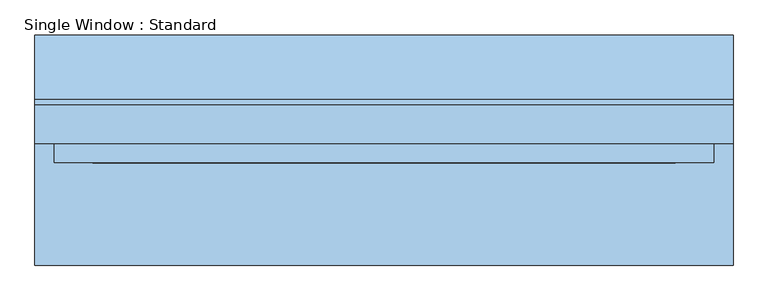
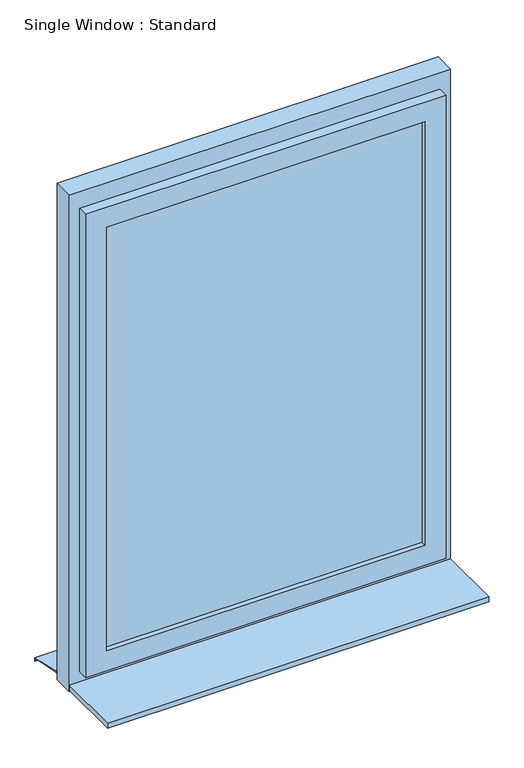
"""IFC4 building model written with IfcOpenShell, lengths in millimetres: window geometry, Single Window : Standard."""

from ifc_helpers import new_model, si_unit, frame, origin, place, context, project, spatial, polyline, outline, extrude, faceted_brep, source, transform, mapped, element, save


def single_window_standard_0f501221(model_context):
    return source(origin(), model_context, "Body", "SolidModel", [
        extrude(outline(polyline([(455.3207828, -5.0), (-455.3207828, -5.0), (-455.3207828, 25.0), (455.3207828, 25.0), (455.3207828, -5.0)])), frame((0.0, 0.0, 1110.0), z_axis=(0.0, 0.0, 1.0), x_axis=(1.0, 0.0, 0.0)), (0.0, 0.0, 1.0), 1280.0),
        faceted_brep([(515.3207828, 10.0, 2450.0), (515.3207828, -20.0, 2450.0), (515.3207828, -20.0, 1050.0), (515.3207828, 10.0, 1050.0), (485.3207828, 40.0, 2420.0), (485.3207828, 10.0, 2420.0), (485.3207828, 10.0, 1080.0), (485.3207828, 40.0, 1080.0), (455.3207828, -20.0, 2390.0), (455.3207828, 40.0, 2390.0), (455.3207828, 40.0, 1110.0), (455.3207828, -20.0, 1110.0), (-515.3207828, -20.0, 1050.0), (-515.3207828, 10.0, 1050.0), (-485.3207828, 10.0, 1080.0), (-485.3207828, 40.0, 1080.0), (-455.3207828, 40.0, 1110.0), (-455.3207828, -20.0, 1110.0), (-515.3207828, -20.0, 2450.0), (-515.3207828, 10.0, 2450.0), (-485.3207828, 10.0, 2420.0), (-485.3207828, 40.0, 2420.0), (-455.3207828, 40.0, 2390.0), (-455.3207828, -20.0, 2390.0)], [[[0, 1, 2, 3]], [[4, 5, 6, 7]], [[8, 9, 10, 11]], [[3, 2, 12, 13]], [[7, 6, 14, 15]], [[11, 10, 16, 17]], [[13, 12, 18, 19]], [[15, 14, 20, 21]], [[17, 16, 22, 23]], [[19, 18, 1, 0]], [[3, 13, 19, 0], [5, 20, 14, 6]], [[21, 20, 5, 4]], [[7, 15, 21, 4], [9, 22, 16, 10]], [[23, 22, 9, 8]], [[1, 18, 12, 2], [11, 17, 23, 8]]]),
        extrude(outline(polyline([(2500.0, 545.3207828), (2500.0, -545.3207828), (1000.0, -545.3207828), (1000.0, 545.3207828), (2500.0, 545.3207828)]), holes=[polyline([(2420.0, 485.3207828), (1080.0, 485.3207828), (1080.0, -485.3207828), (2420.0, -485.3207828), (2420.0, 485.3207828)])]), frame((0.0, 10.0, 0.0), z_axis=(0.0, 1.0, 0.0), x_axis=(0.0, 0.0, 1.0)), (0.0, 0.0, 1.0), 60.0),
        extrude(outline(polyline([(80.0221543, 1020.0), (180.0, 1000.0), (180.0, 990.0), (178.0, 990.0), (178.0, 998.3604634), (79.8240723, 1018.0), (70.0, 1018.0), (70.0, 1020.0), (80.0221543, 1020.0)])), frame((-545.3207828, 0.0, 0.0), z_axis=(1.0, 0.0, 0.0), x_axis=(0.0, 1.0, 0.0)), (0.0, 0.0, 1.0), 1090.6415657),
        extrude(outline(polyline([(-545.3207828, -180.0), (-545.3207828, 10.0), (545.3207828, 10.0), (545.3207828, -180.0), (-545.3207828, -180.0)])), frame((0.0, 0.0, 1005.0), z_axis=(0.0, 0.0, 1.0), x_axis=(1.0, 0.0, 0.0)), (0.0, 0.0, 1.0), 15.0),
    ])


if __name__ == "__main__":
    model = new_model("IFC4")
    model_context = context("Model", 3, world=origin())
    ifc_project = project(units=[si_unit("LENGTHUNIT", "METRE", prefix="MILLI")], contexts=[model_context])
    site = spatial("IfcSite", under=ifc_project)
    building = spatial("IfcBuilding", under=site)
    placement = place(None, origin())
    single_window_standard_shape = single_window_standard_0f501221(model_context)
    element("IfcWindow", 1, ObjectType="Single Window : Standard", at=placement, inside=building, context=model_context, shape_type="MappedRepresentation", body=[
        mapped(single_window_standard_shape, transform((0.0, 0.0, 0.0), x_axis=(1.0, 0.0, 0.0), y_axis=(0.0, 1.0, 0.0), z_axis=(0.0, 0.0, 1.0))),
    ])
    save(model, "model.ifc")
